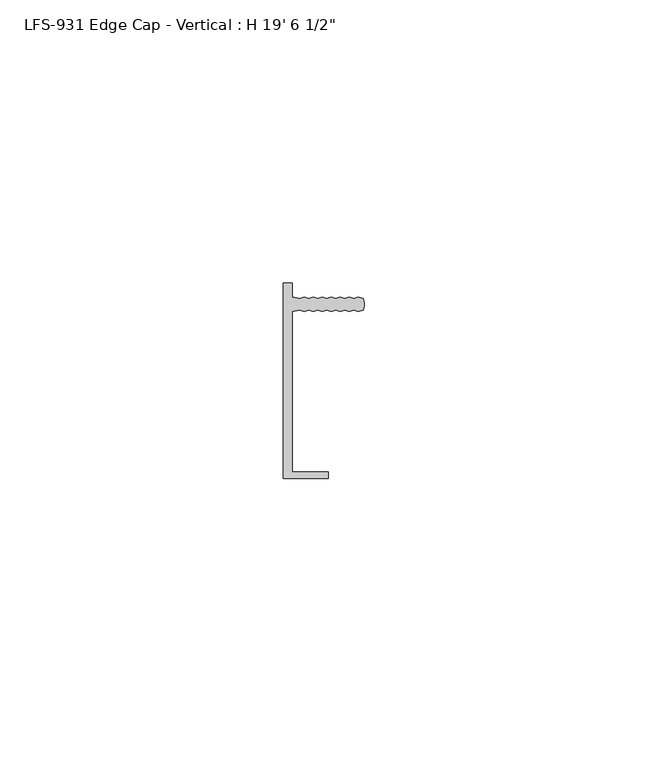
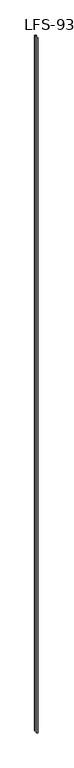
"""IFC4 building model written with IfcOpenShell, lengths in millimetres: proxy geometry."""

import ifcopenshell
import ifcopenshell.guid

model = None  # the IFC model being written
_history = None  # IfcOwnerHistory: only IFC2X3 demands one
_inside = {}  # id of a spatial element -> (the spatial element, [elements in it])
_under = {}  # id of a project, library or spatial element -> (it, [spatial elements below it])
_declared = {}  # id of a project -> (the project, [libraries it declares])
_typed = {}  # id of a type object -> (the type object, [elements of that type])
_made_of = {}  # id of a material, layer set ... -> (it, [elements and type objects made of it])


def new_model(schema):
    """Start an empty IFC model of exactly this schema.

    Asked for "IFC4X3", IfcOpenShell would pick the latest addendum, in which some entities
    have other attributes; the version numbers below select the first issue.
    IFC2X3 requires an IfcOwnerHistory on every rooted entity: one is made here for all.
    """
    global model, _history
    if schema == "IFC4X3":
        model = ifcopenshell.file(schema_version=(4, 3, 0, 0))
    else:
        model = ifcopenshell.file(schema=schema)
    _inside.clear()
    _under.clear()
    _declared.clear()
    _typed.clear()
    _made_of.clear()
    _history = None
    if model.schema == "IFC2X3":
        org = make("IfcOrganization", Name="unknown")
        user = make(
            "IfcPersonAndOrganization",
            ThePerson=make("IfcPerson", FamilyName="unknown"),
            TheOrganization=org,
        )
        app = make(
            "IfcApplication",
            ApplicationDeveloper=org,
            Version="unknown",
            ApplicationFullName="unknown",
            ApplicationIdentifier="unknown",
        )
        _history = make(
            "IfcOwnerHistory",
            OwningUser=user,
            OwningApplication=app,
            ChangeAction="ADDED",
            CreationDate=0,
        )
    return model


def make(cls, **values):
    """One entity of the class cls with the attributes given. An attribute that is None is left unset."""
    return model.create_entity(
        cls, **{name: value for name, value in values.items() if value is not None}
    )


def rooted(cls, **values):
    """An entity with a GlobalId (a new one), such as an element, a storey or a relation."""
    return make(cls, GlobalId=ifcopenshell.guid.new(), OwnerHistory=_history, **values)


def si_unit(unit_type, name, prefix=None):
    """IfcSIUnit, for example si_unit("LENGTHUNIT", "METRE", prefix="MILLI")."""
    return make("IfcSIUnit", UnitType=unit_type, Prefix=prefix, Name=name)


def assignment(units):
    """IfcUnitAssignment: the units of a project."""
    return None if units is None else make("IfcUnitAssignment", Units=units)


def point(xyz):
    """IfcCartesianPoint."""
    return None if xyz is None else make("IfcCartesianPoint", Coordinates=xyz)


def direction(xyz):
    """IfcDirection."""
    return None if xyz is None else make("IfcDirection", DirectionRatios=xyz)


def frame(location, z_axis=None, x_axis=None):
    """IfcAxis2Placement3D, a coordinate frame: its origin and axes. An axis left out is left unset."""
    return make(
        "IfcAxis2Placement3D",
        Location=point(location),
        Axis=direction(z_axis),
        RefDirection=direction(x_axis),
    )


def frame_2d(location, x_axis=None):
    """IfcAxis2Placement2D, a coordinate frame in the plane: its origin and x axis."""
    return make(
        "IfcAxis2Placement2D", Location=point(location), RefDirection=direction(x_axis)
    )


def origin():
    """The frame at (0, 0, 0) with its axes left unset."""
    return frame((0.0, 0.0, 0.0))


def origin_with_axes():
    """The frame at (0, 0, 0) with the z axis (0, 0, 1) and the x axis (1, 0, 0) written out."""
    return frame((0.0, 0.0, 0.0), z_axis=(0.0, 0.0, 1.0), x_axis=(1.0, 0.0, 0.0))


def place(relative_to, where):
    """IfcLocalPlacement: puts the frame where relative to a parent placement (None: the world)."""
    return make(
        "IfcLocalPlacement", PlacementRelTo=relative_to, RelativePlacement=where
    )


def context(
    kind, dimensions, precision=None, world=None, true_north=None, identifier=None
):
    """IfcGeometricRepresentationContext, for example the 3D "Model" context."""
    return make(
        "IfcGeometricRepresentationContext",
        ContextIdentifier=identifier,
        ContextType=kind,
        CoordinateSpaceDimension=dimensions,
        Precision=precision,
        WorldCoordinateSystem=world,
        TrueNorth=true_north,
    )


def project(units=None, contexts=None):
    """IfcProject with its units and contexts."""
    return rooted(
        "IfcProject",
        Name="project",
        RepresentationContexts=contexts,
        UnitsInContext=assignment(units),
    )


def spatial(cls, under=None, at=None, **own):
    """A site, building, storey or space (cls), placed at a placement, below another one or the project."""
    s = rooted(cls, ObjectPlacement=at, **own)
    if under is not None:
        _under.setdefault(under.id(), (under, []))[1].append(s)
    return s


def polyline(points):
    """IfcPolyline through the points."""
    return make("IfcPolyline", Points=[point(p) for p in points])


def circle_curve(where, radius):
    """IfcCircle in the frame where."""
    return make("IfcCircle", Position=where, Radius=radius)


def trimmed(basis, trim1, trim2, sense, master):
    """IfcTrimmedCurve: the piece of a basis curve between two trims."""
    return make(
        "IfcTrimmedCurve",
        BasisCurve=basis,
        Trim1=trim1,
        Trim2=trim2,
        SenseAgreement=sense,
        MasterRepresentation=master,
    )


def segment(curve, same_sense, transition):
    """IfcCompositeCurveSegment."""
    return make(
        "IfcCompositeCurveSegment",
        Transition=transition,
        SameSense=same_sense,
        ParentCurve=curve,
    )


def composite_curve(segments, self_intersect=None):
    """IfcCompositeCurve: segments joined end to end."""
    return make("IfcCompositeCurve", Segments=segments, SelfIntersect=self_intersect)


def outline(outer, holes=None, kind="AREA"):
    """IfcArbitraryClosedProfileDef: a profile drawn as a closed curve; with holes, ...WithVoids."""
    if holes is None:
        return make("IfcArbitraryClosedProfileDef", ProfileType=kind, OuterCurve=outer)
    return make(
        "IfcArbitraryProfileDefWithVoids",
        ProfileType=kind,
        OuterCurve=outer,
        InnerCurves=holes,
    )


def extrude(swept, where, along, depth):
    """IfcExtrudedAreaSolid: the profile swept, set in the frame where, extruded along a direction by depth."""
    return make(
        "IfcExtrudedAreaSolid",
        SweptArea=swept,
        Position=where,
        ExtrudedDirection=direction(along),
        Depth=depth,
    )


def shape(context_of_items, identifier, shape_type, items):
    """IfcShapeRepresentation: the items that make up one representation, for example the "Body"."""
    return make(
        "IfcShapeRepresentation",
        ContextOfItems=context_of_items,
        RepresentationIdentifier=identifier,
        RepresentationType=shape_type,
        Items=items,
    )


def source(mapping_origin, context_of_items, identifier, shape_type, items):
    """IfcRepresentationMap: a shape defined once, which mapped items show again and again."""
    return make(
        "IfcRepresentationMap",
        MappingOrigin=mapping_origin,
        MappedRepresentation=shape(context_of_items, identifier, shape_type, items),
    )


def transform(
    local_origin,
    x_axis=None,
    y_axis=None,
    z_axis=None,
    scale=None,
    scale2=None,
    scale3=None,
    uniform=True,
):
    """IfcCartesianTransformationOperator3D, or its non-uniform kind. x_axis, y_axis, z_axis: its Axis1, 2, 3."""
    if uniform:
        return make(
            "IfcCartesianTransformationOperator3D",
            Axis1=direction(x_axis),
            Axis2=direction(y_axis),
            LocalOrigin=point(local_origin),
            Scale=scale,
            Axis3=direction(z_axis),
        )
    return make(
        "IfcCartesianTransformationOperator3DnonUniform",
        Axis1=direction(x_axis),
        Axis2=direction(y_axis),
        LocalOrigin=point(local_origin),
        Scale=scale,
        Axis3=direction(z_axis),
        Scale2=scale2,
        Scale3=scale3,
    )


def mapped(mapping_source, mapping_target):
    """IfcMappedItem: shows the shape of a source again, moved by a transform."""
    return make(
        "IfcMappedItem", MappingSource=mapping_source, MappingTarget=mapping_target
    )


def made_of(thing, what):
    """Note that an element or type object is made of a material, layer set ...; save() writes the relation."""
    if what is not None:
        _made_of.setdefault(what.id(), (what, []))[1].append(thing)
    return thing


def element(
    cls,
    number,
    at=None,
    inside=None,
    cuts=None,
    type_object=None,
    material=None,
    context=None,
    identifier="Body",
    shape_type=None,
    held_by="IfcProductDefinitionShape",
    body=None,
    shapes=None,
    **own,
):
    """One element of the class cls, such as IfcWall. Its Tag is "e" and its number.

    at: its placement. inside: the storey or other place that contains it. cuts: it is an
    opening in that element (IfcRelVoidsElement). A single representation is given by context,
    identifier, shape_type and body (its items); several are given by shapes. held_by: the class
    of the entity that holds the representations. save() writes the other relations.
    """
    e = rooted(cls, Tag="e%d" % number, ObjectPlacement=at, **own)
    if body is not None:
        shapes = [shape(context, identifier, shape_type, body)]
    if shapes is not None:
        e.Representation = make(held_by, Representations=shapes)
    if inside is not None:
        _inside.setdefault(inside.id(), (inside, []))[1].append(e)
    if cuts is not None:
        rooted(
            "IfcRelVoidsElement", RelatingBuildingElement=cuts, RelatedOpeningElement=e
        )
    if type_object is not None:
        _typed.setdefault(type_object.id(), (type_object, []))[1].append(e)
    return made_of(e, material)


def aggregate(whole, parts):
    """IfcRelAggregates: a whole, such as a stair, and the parts it consists of."""
    return rooted("IfcRelAggregates", RelatingObject=whole, RelatedObjects=parts)


def save(model, path):
    """Write the relations noted so far, then the file.

    IfcRelAggregates (storeys below a building ...), IfcRelContainedInSpatialStructure (elements
    in a storey), IfcRelDefinesByType, IfcRelAssociatesMaterial and IfcRelDeclares: one each for
    every whole, place, type object, material and project.
    """
    for whole, parts in _under.values():
        aggregate(whole, parts)
    for where, things in _inside.values():
        rooted(
            "IfcRelContainedInSpatialStructure",
            RelatedElements=things,
            RelatingStructure=where,
        )
    for kind, things in _typed.values():
        rooted("IfcRelDefinesByType", RelatedObjects=things, RelatingType=kind)
    for what, things in _made_of.values():
        rooted("IfcRelAssociatesMaterial", RelatedObjects=things, RelatingMaterial=what)
    for by, libraries in _declared.values():
        rooted("IfcRelDeclares", RelatingContext=by, RelatedDefinitions=libraries)
    model.write(path)


def proxy_21987ee2(model_context):
    return source(origin(), model_context, "Body", "SweptSolid", [
        extrude(outline(composite_curve([segment(trimmed(circle_curve(frame_2d((5.0970263, 13.489432)), 2.1356527), [point((6.9755505, 14.5053844))], [point((6.975499, 12.4733844))], False, "CARTESIAN"), True, "CONTINUOUS"), segment(polyline([(6.975499, 12.4733844), (6.1594091, 12.2194051), (5.3776839, 12.4734249), (4.5615939, 12.2194456), (3.7798687, 12.4734654), (2.9637788, 12.2194861), (2.1820536, 12.4735059), (1.3659636, 12.2195266), (0.5842384, 12.4735464), (-0.2318515, 12.219567), (-1.0135767, 12.4735869), (-1.8296667, 12.2196075), (-2.6113918, 12.4736273), (-3.4274818, 12.219648), (-4.209207, 12.4736678), (-5.4705074, 12.2196998), (-5.4712256, -16.1278963), (0.8787744, -16.1280572), (0.8787469, -17.2126372), (-7.0587531, -17.2124361), (-7.057881, 17.2096439), (-5.470381, 17.2096037), (-5.470443, 14.7596998), (-4.2091555, 14.5056678), (-3.4274175, 14.759648), (-2.6113404, 14.5056273), (-1.8296023, 14.7596075), (-1.0135252, 14.5055869), (-0.2317872, 14.759567), (0.5842899, 14.5055464), (1.366028, 14.7595266), (2.1821051, 14.5055059), (2.9638431, 14.7594861), (3.7799202, 14.5054654), (4.5616583, 14.7594456), (5.3777354, 14.5054249), (6.1594734, 14.7594051), (6.9755505, 14.5053844)]), True, "CONTINUOUS")], self_intersect=False)), origin_with_axes(), (0.0, 0.0, 1.0), 5956.3),
    ])


if __name__ == "__main__":
    model = new_model("IFC4")
    model_context = context("Model", 3, world=origin())
    ifc_project = project(units=[si_unit("LENGTHUNIT", "METRE", prefix="MILLI")], contexts=[model_context])
    site = spatial("IfcSite", under=ifc_project)
    building = spatial("IfcBuilding", under=site)
    placement = place(None, origin())
    proxy_shape = proxy_21987ee2(model_context)
    element("IfcBuildingElementProxy", 1, Name="LFS-931 Edge Cap - Vertical : H 19' 6 1/2\"", ObjectType="LFS-931 Edge Cap - Vertical : H 19' 6 1/2\"", at=placement, inside=building, context=model_context, shape_type="MappedRepresentation", body=[
        mapped(proxy_shape, transform((0.0, 0.0, 0.0), x_axis=(1.0, 0.0, 0.0), y_axis=(0.0, 1.0, 0.0), z_axis=(0.0, 0.0, 1.0))),
    ])
    save(model, "model.ifc")
